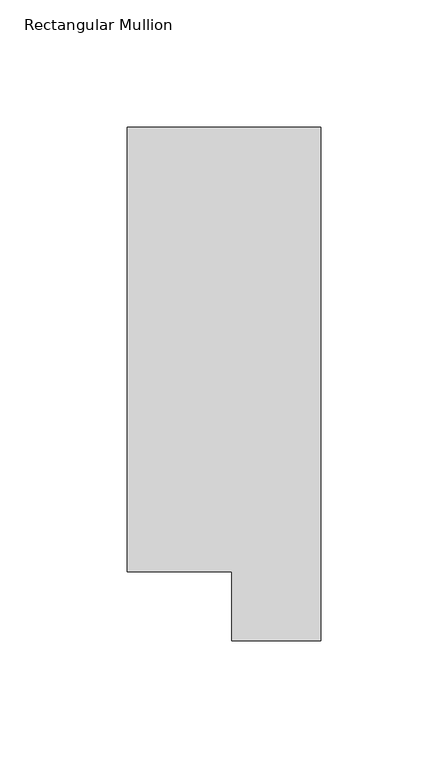
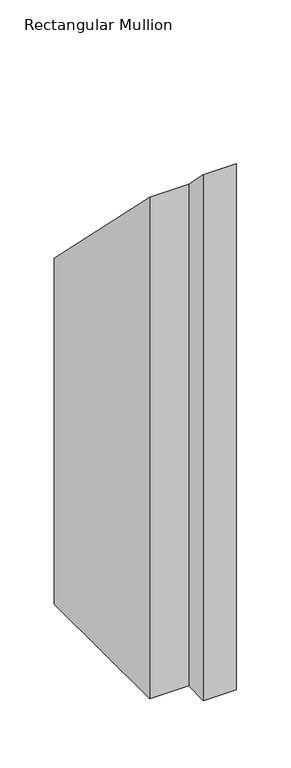
"""IFC4 building model written with IfcOpenShell, lengths in millimetres: member geometry, Rectangular Mullion."""

from ifc_helpers import new_model, si_unit, origin, place, context, project, spatial, faceted_brep, source, transform, mapped, element, save


def rectangular_mullion_9cfb7cfe(model_context):
    return source(origin(), model_context, "Body", "Brep", [
        faceted_brep([(0.0, 221.7507313, -609.6), (0.0, 19.5667313, -609.6), (-34.9123, 19.5667313, -609.6), (-34.9123, 46.7447302, -609.6), (-76.2, 46.7447302, -609.6), (-76.2, 221.7507313, -609.6), (-76.2, 221.7507313, -221.7507312), (0.0, 221.7507313, -221.7507312), (-76.2, 46.7447302, -46.7447302), (-34.9123, 46.7447302, -46.7447302), (-34.9123, 19.5667313, -19.5667313), (0.0, 19.5667313, -19.5667313)], [[[0, 1, 2, 3, 4, 5]], [[6, 7, 0, 5]], [[8, 6, 5, 4]], [[9, 8, 4, 3]], [[10, 9, 3, 2]], [[11, 10, 2, 1]], [[7, 11, 1, 0]], [[7, 6, 8, 9, 10, 11]]]),
    ])


if __name__ == "__main__":
    model = new_model("IFC4")
    model_context = context("Model", 3, world=origin())
    ifc_project = project(units=[si_unit("LENGTHUNIT", "METRE", prefix="MILLI")], contexts=[model_context])
    site = spatial("IfcSite", under=ifc_project)
    building = spatial("IfcBuilding", under=site)
    placement = place(None, origin())
    rectangular_mullion_shape = rectangular_mullion_9cfb7cfe(model_context)
    element("IfcMember", 1, ObjectType="Rectangular Mullion", at=placement, inside=building, context=model_context, shape_type="MappedRepresentation", body=[
        mapped(rectangular_mullion_shape, transform((0.0, 0.0, 0.0), x_axis=(1.0, 0.0, 0.0), y_axis=(0.0, 1.0, 0.0), z_axis=(0.0, 0.0, 1.0))),
    ])
    save(model, "model.ifc")
